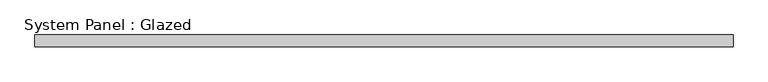
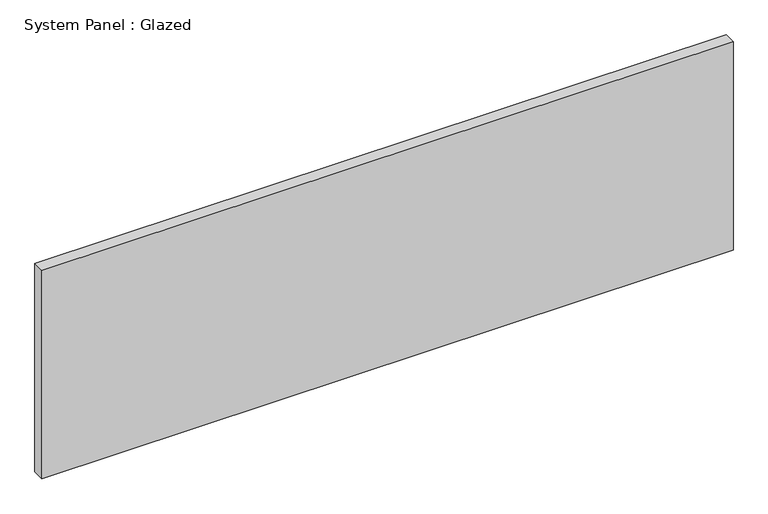
"""IFC4 building model written with IfcOpenShell, lengths in millimetres: plate geometry, System Panel : Glazed."""

from ifc_helpers import new_model, si_unit, origin, origin_with_axes, place, context, project, spatial, polyline, outline, extrude, source, transform, mapped, element, save


def system_panel_glazed_3ca4ea52(model_context):
    return source(origin(), model_context, "Body", "SweptSolid", [
        extrude(outline(polyline([(736.6, -12.7), (-736.6, -12.7), (-736.6, 12.7), (736.6, 12.7), (736.6, -12.7)])), origin_with_axes(), (0.0, 0.0, 1.0), 469.9),
    ])


if __name__ == "__main__":
    model = new_model("IFC4")
    model_context = context("Model", 3, world=origin())
    ifc_project = project(units=[si_unit("LENGTHUNIT", "METRE", prefix="MILLI")], contexts=[model_context])
    site = spatial("IfcSite", under=ifc_project)
    building = spatial("IfcBuilding", under=site)
    placement = place(None, origin())
    system_panel_glazed_shape = system_panel_glazed_3ca4ea52(model_context)
    element("IfcPlate", 1, ObjectType="System Panel : Glazed", at=placement, inside=building, context=model_context, shape_type="MappedRepresentation", body=[
        mapped(system_panel_glazed_shape, transform((0.0, 0.0, 0.0), x_axis=(1.0, 0.0, 0.0), y_axis=(0.0, 1.0, 0.0), z_axis=(0.0, 0.0, 1.0))),
    ])
    save(model, "model.ifc")
